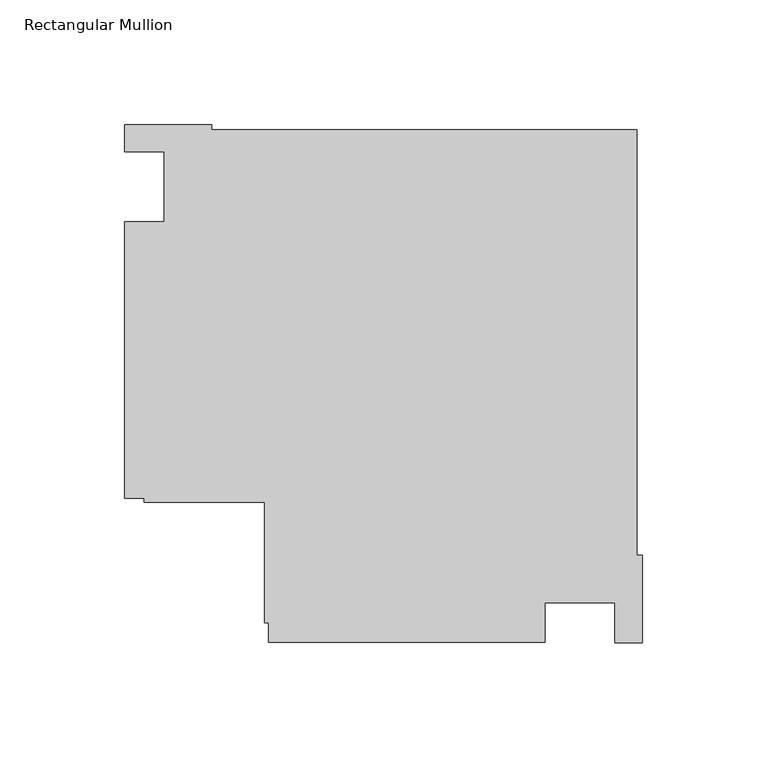
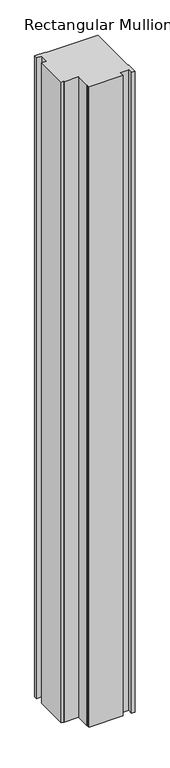
"""IFC4 building model written with IfcOpenShell, lengths in millimetres: member geometry, Rectangular Mullion."""

from ifc_helpers import new_model, si_unit, frame, origin, place, context, project, spatial, polyline, outline, extrude, source, transform, mapped, element, save


def rectangular_mullion_c60f9ee3(model_context):
    return source(origin(), model_context, "Body", "SweptSolid", [
        extrude(outline(polyline([(-38.9998882, -182.9914777), (-150.0, -182.9914777), (-150.0, -175.0000025), (-151.6, -175.0000025), (-151.6, -126.6000025), (-200.0, -126.6000025), (-200.0, -125.0000025), (-207.9999976, -125.0000025), (-207.9999976, -13.9998907), (-191.9999976, -13.9998907), (-191.9999976, 13.9997041), (-207.9999976, 13.9997041), (-207.9999976, 25.0), (-172.9999713, 25.0), (-172.9999713, 22.9147834), (-2.0852141, 22.9147834), (-2.0852141, -147.9999738), (0.0, -147.9999738), (0.0, -183.0000001), (-10.996264, -183.0000001), (-10.996264, -166.9914777), (-38.9998882, -166.9914777), (-38.9998882, -182.9914777)])), frame((0.0, 0.0, -2216.0199255), z_axis=(0.0, 0.0, 1.0), x_axis=(1.0, 0.0, 0.0)), (0.0, 0.0, 1.0), 2216.0199255),
    ])


if __name__ == "__main__":
    model = new_model("IFC4")
    model_context = context("Model", 3, world=origin())
    ifc_project = project(units=[si_unit("LENGTHUNIT", "METRE", prefix="MILLI")], contexts=[model_context])
    site = spatial("IfcSite", under=ifc_project)
    building = spatial("IfcBuilding", under=site)
    placement = place(None, origin())
    rectangular_mullion_shape = rectangular_mullion_c60f9ee3(model_context)
    element("IfcMember", 1, ObjectType="Rectangular Mullion", at=placement, inside=building, context=model_context, shape_type="MappedRepresentation", body=[
        mapped(rectangular_mullion_shape, transform((0.0, 0.0, 0.0), x_axis=(1.0, 0.0, 0.0), y_axis=(0.0, 1.0, 0.0), z_axis=(0.0, 0.0, 1.0))),
    ])
    save(model, "model.ifc")
